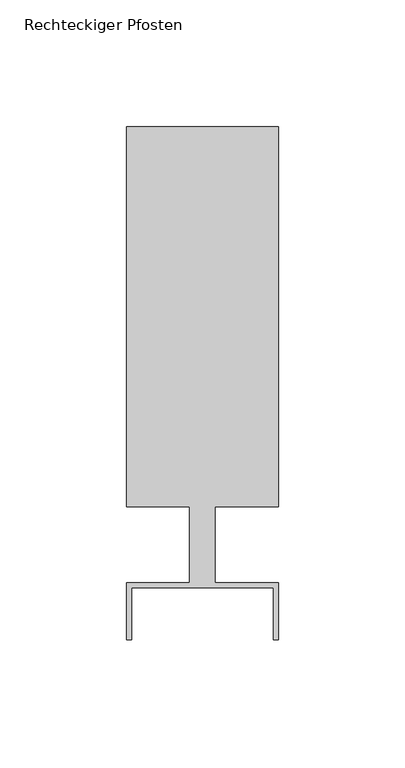
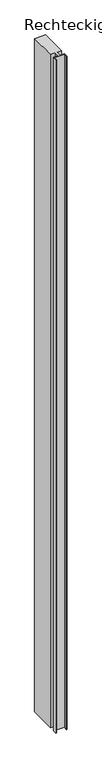
"""IFC4 building model written with IfcOpenShell, lengths in millimetres: member geometry, Rechteckiger Pfosten."""

import ifcopenshell
import ifcopenshell.guid

model = None  # the IFC model being written
_history = None  # IfcOwnerHistory: only IFC2X3 demands one
_inside = {}  # id of a spatial element -> (the spatial element, [elements in it])
_under = {}  # id of a project, library or spatial element -> (it, [spatial elements below it])
_declared = {}  # id of a project -> (the project, [libraries it declares])
_typed = {}  # id of a type object -> (the type object, [elements of that type])
_made_of = {}  # id of a material, layer set ... -> (it, [elements and type objects made of it])


def new_model(schema):
    """Start an empty IFC model of exactly this schema.

    Asked for "IFC4X3", IfcOpenShell would pick the latest addendum, in which some entities
    have other attributes; the version numbers below select the first issue.
    IFC2X3 requires an IfcOwnerHistory on every rooted entity: one is made here for all.
    """
    global model, _history
    if schema == "IFC4X3":
        model = ifcopenshell.file(schema_version=(4, 3, 0, 0))
    else:
        model = ifcopenshell.file(schema=schema)
    _inside.clear()
    _under.clear()
    _declared.clear()
    _typed.clear()
    _made_of.clear()
    _history = None
    if model.schema == "IFC2X3":
        org = make("IfcOrganization", Name="unknown")
        user = make(
            "IfcPersonAndOrganization",
            ThePerson=make("IfcPerson", FamilyName="unknown"),
            TheOrganization=org,
        )
        app = make(
            "IfcApplication",
            ApplicationDeveloper=org,
            Version="unknown",
            ApplicationFullName="unknown",
            ApplicationIdentifier="unknown",
        )
        _history = make(
            "IfcOwnerHistory",
            OwningUser=user,
            OwningApplication=app,
            ChangeAction="ADDED",
            CreationDate=0,
        )
    return model


def make(cls, **values):
    """One entity of the class cls with the attributes given. An attribute that is None is left unset."""
    return model.create_entity(
        cls, **{name: value for name, value in values.items() if value is not None}
    )


def rooted(cls, **values):
    """An entity with a GlobalId (a new one), such as an element, a storey or a relation."""
    return make(cls, GlobalId=ifcopenshell.guid.new(), OwnerHistory=_history, **values)


def si_unit(unit_type, name, prefix=None):
    """IfcSIUnit, for example si_unit("LENGTHUNIT", "METRE", prefix="MILLI")."""
    return make("IfcSIUnit", UnitType=unit_type, Prefix=prefix, Name=name)


def assignment(units):
    """IfcUnitAssignment: the units of a project."""
    return None if units is None else make("IfcUnitAssignment", Units=units)


def point(xyz):
    """IfcCartesianPoint."""
    return None if xyz is None else make("IfcCartesianPoint", Coordinates=xyz)


def direction(xyz):
    """IfcDirection."""
    return None if xyz is None else make("IfcDirection", DirectionRatios=xyz)


def frame(location, z_axis=None, x_axis=None):
    """IfcAxis2Placement3D, a coordinate frame: its origin and axes. An axis left out is left unset."""
    return make(
        "IfcAxis2Placement3D",
        Location=point(location),
        Axis=direction(z_axis),
        RefDirection=direction(x_axis),
    )


def origin():
    """The frame at (0, 0, 0) with its axes left unset."""
    return frame((0.0, 0.0, 0.0))


def place(relative_to, where):
    """IfcLocalPlacement: puts the frame where relative to a parent placement (None: the world)."""
    return make(
        "IfcLocalPlacement", PlacementRelTo=relative_to, RelativePlacement=where
    )


def context(
    kind, dimensions, precision=None, world=None, true_north=None, identifier=None
):
    """IfcGeometricRepresentationContext, for example the 3D "Model" context."""
    return make(
        "IfcGeometricRepresentationContext",
        ContextIdentifier=identifier,
        ContextType=kind,
        CoordinateSpaceDimension=dimensions,
        Precision=precision,
        WorldCoordinateSystem=world,
        TrueNorth=true_north,
    )


def project(units=None, contexts=None):
    """IfcProject with its units and contexts."""
    return rooted(
        "IfcProject",
        Name="project",
        RepresentationContexts=contexts,
        UnitsInContext=assignment(units),
    )


def spatial(cls, under=None, at=None, **own):
    """A site, building, storey or space (cls), placed at a placement, below another one or the project."""
    s = rooted(cls, ObjectPlacement=at, **own)
    if under is not None:
        _under.setdefault(under.id(), (under, []))[1].append(s)
    return s


def polyline(points):
    """IfcPolyline through the points."""
    return make("IfcPolyline", Points=[point(p) for p in points])


def outline(outer, holes=None, kind="AREA"):
    """IfcArbitraryClosedProfileDef: a profile drawn as a closed curve; with holes, ...WithVoids."""
    if holes is None:
        return make("IfcArbitraryClosedProfileDef", ProfileType=kind, OuterCurve=outer)
    return make(
        "IfcArbitraryProfileDefWithVoids",
        ProfileType=kind,
        OuterCurve=outer,
        InnerCurves=holes,
    )


def extrude(swept, where, along, depth):
    """IfcExtrudedAreaSolid: the profile swept, set in the frame where, extruded along a direction by depth."""
    return make(
        "IfcExtrudedAreaSolid",
        SweptArea=swept,
        Position=where,
        ExtrudedDirection=direction(along),
        Depth=depth,
    )


def shape(context_of_items, identifier, shape_type, items):
    """IfcShapeRepresentation: the items that make up one representation, for example the "Body"."""
    return make(
        "IfcShapeRepresentation",
        ContextOfItems=context_of_items,
        RepresentationIdentifier=identifier,
        RepresentationType=shape_type,
        Items=items,
    )


def source(mapping_origin, context_of_items, identifier, shape_type, items):
    """IfcRepresentationMap: a shape defined once, which mapped items show again and again."""
    return make(
        "IfcRepresentationMap",
        MappingOrigin=mapping_origin,
        MappedRepresentation=shape(context_of_items, identifier, shape_type, items),
    )


def transform(
    local_origin,
    x_axis=None,
    y_axis=None,
    z_axis=None,
    scale=None,
    scale2=None,
    scale3=None,
    uniform=True,
):
    """IfcCartesianTransformationOperator3D, or its non-uniform kind. x_axis, y_axis, z_axis: its Axis1, 2, 3."""
    if uniform:
        return make(
            "IfcCartesianTransformationOperator3D",
            Axis1=direction(x_axis),
            Axis2=direction(y_axis),
            LocalOrigin=point(local_origin),
            Scale=scale,
            Axis3=direction(z_axis),
        )
    return make(
        "IfcCartesianTransformationOperator3DnonUniform",
        Axis1=direction(x_axis),
        Axis2=direction(y_axis),
        LocalOrigin=point(local_origin),
        Scale=scale,
        Axis3=direction(z_axis),
        Scale2=scale2,
        Scale3=scale3,
    )


def mapped(mapping_source, mapping_target):
    """IfcMappedItem: shows the shape of a source again, moved by a transform."""
    return make(
        "IfcMappedItem", MappingSource=mapping_source, MappingTarget=mapping_target
    )


def made_of(thing, what):
    """Note that an element or type object is made of a material, layer set ...; save() writes the relation."""
    if what is not None:
        _made_of.setdefault(what.id(), (what, []))[1].append(thing)
    return thing


def element(
    cls,
    number,
    at=None,
    inside=None,
    cuts=None,
    type_object=None,
    material=None,
    context=None,
    identifier="Body",
    shape_type=None,
    held_by="IfcProductDefinitionShape",
    body=None,
    shapes=None,
    **own,
):
    """One element of the class cls, such as IfcWall. Its Tag is "e" and its number.

    at: its placement. inside: the storey or other place that contains it. cuts: it is an
    opening in that element (IfcRelVoidsElement). A single representation is given by context,
    identifier, shape_type and body (its items); several are given by shapes. held_by: the class
    of the entity that holds the representations. save() writes the other relations.
    """
    e = rooted(cls, Tag="e%d" % number, ObjectPlacement=at, **own)
    if body is not None:
        shapes = [shape(context, identifier, shape_type, body)]
    if shapes is not None:
        e.Representation = make(held_by, Representations=shapes)
    if inside is not None:
        _inside.setdefault(inside.id(), (inside, []))[1].append(e)
    if cuts is not None:
        rooted(
            "IfcRelVoidsElement", RelatingBuildingElement=cuts, RelatedOpeningElement=e
        )
    if type_object is not None:
        _typed.setdefault(type_object.id(), (type_object, []))[1].append(e)
    return made_of(e, material)


def aggregate(whole, parts):
    """IfcRelAggregates: a whole, such as a stair, and the parts it consists of."""
    return rooted("IfcRelAggregates", RelatingObject=whole, RelatedObjects=parts)


def save(model, path):
    """Write the relations noted so far, then the file.

    IfcRelAggregates (storeys below a building ...), IfcRelContainedInSpatialStructure (elements
    in a storey), IfcRelDefinesByType, IfcRelAssociatesMaterial and IfcRelDeclares: one each for
    every whole, place, type object, material and project.
    """
    for whole, parts in _under.values():
        aggregate(whole, parts)
    for where, things in _inside.values():
        rooted(
            "IfcRelContainedInSpatialStructure",
            RelatedElements=things,
            RelatingStructure=where,
        )
    for kind, things in _typed.values():
        rooted("IfcRelDefinesByType", RelatedObjects=things, RelatingType=kind)
    for what, things in _made_of.values():
        rooted("IfcRelAssociatesMaterial", RelatedObjects=things, RelatingMaterial=what)
    for by, libraries in _declared.values():
        rooted("IfcRelDeclares", RelatingContext=by, RelatedDefinitions=libraries)
    model.write(path)


def rechteckiger_pfosten_4fb64e3b(model_context):
    return source(origin(), model_context, "Body", "SweptSolid", [
        extrude(outline(polyline([(28.0, -37.5), (28.0, -17.0), (-28.0, -17.0), (-28.0, -37.5), (-30.0, -37.5), (-30.0, -15.0), (-5.0, -15.0), (-5.0, 15.0), (-30.0, 15.0), (-30.0, 165.0), (30.0, 165.0), (30.0, 15.0), (5.0, 15.0), (5.0, -15.0), (30.0, -15.0), (30.0, -37.5), (28.0, -37.5)])), frame((0.0, 0.0, -3894.5832828), z_axis=(0.0, 0.0, 1.0), x_axis=(1.0, 0.0, 0.0)), (0.0, 0.0, 1.0), 3894.5832828),
    ])


if __name__ == "__main__":
    model = new_model("IFC4")
    model_context = context("Model", 3, world=origin())
    ifc_project = project(units=[si_unit("LENGTHUNIT", "METRE", prefix="MILLI")], contexts=[model_context])
    site = spatial("IfcSite", under=ifc_project)
    building = spatial("IfcBuilding", under=site)
    placement = place(None, origin())
    rechteckiger_pfosten_shape = rechteckiger_pfosten_4fb64e3b(model_context)
    element("IfcMember", 1, ObjectType="Rechteckiger Pfosten", at=placement, inside=building, context=model_context, shape_type="MappedRepresentation", body=[
        mapped(rechteckiger_pfosten_shape, transform((0.0, 0.0, 0.0), x_axis=(1.0, 0.0, 0.0), y_axis=(0.0, 1.0, 0.0), z_axis=(0.0, 0.0, 1.0))),
    ])
    save(model, "model.ifc")
